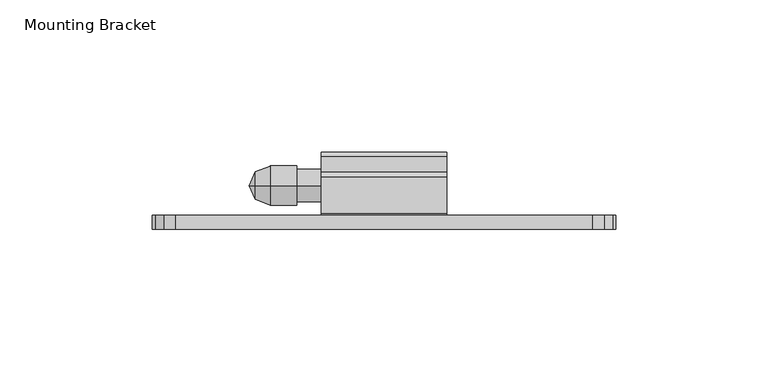
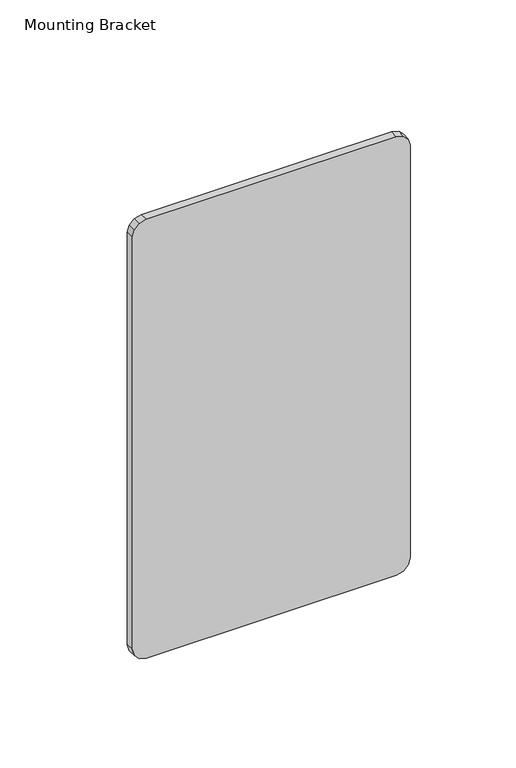
"""IFC4 building model written with IfcOpenShell, lengths in millimetres: furniture geometry, Mounting Bracket."""

from ifc_helpers import new_model, si_unit, frame, origin, place, context, project, spatial, polyline, circle_curve, outline, extrude, source, transform, mapped, element, save
from ifc_brep_helpers import plane_surface, cylinder_surface, revolved_surface, advanced_brep


def mounting_bracket_f358e897(model_context):
    return source(origin(), model_context, "Body", "SolidModel", [
        extrude(outline(polyline([(1473.2, 636.9192799), (1473.2, 499.7592835), (1472.1791116, 495.9492826), (1469.3899991, 493.1601678), (1465.5799982, 492.1392863), (1226.8200033, 492.1392863), (1223.010007, 493.1601678), (1220.2208785, 495.9492826), (1219.1999924, 499.7592835), (1219.1999924, 636.9192799), (1220.2208785, 640.7292808), (1223.010007, 643.5183956), (1226.8200033, 644.5392817), (1465.5799982, 644.5392817), (1469.3899991, 643.5183956), (1472.1791116, 640.7292808), (1473.2, 636.9192799)])), frame((0.0, -1267.5959292, 0.0), z_axis=(0.0, 1.0, 0.0), x_axis=(0.0, 0.0, 1.0)), (0.0, 0.0, 1.0), 4.5973995),
        advanced_brep(
        [(526.0628515, -1253.1852, 1399.0219446), (526.0628515, -1253.1852, 1408.1758962), (530.8753712, -1253.1852, 1410.0717425), (530.8753712, -1253.1852, 1397.1260983), (539.6258568, -1253.1852, 1410.0717425), (539.6258568, -1253.1852, 1397.1260983), (539.6258568, -1253.1852, 1408.9617358), (539.6258568, -1253.1852, 1398.2361051), (547.6881167, -1253.1852, 1408.9617358), (547.6881167, -1253.1852, 1398.2361051), (547.6881167, -1253.1852, 1403.5989204), (524.0694412, -1253.1852, 1403.5989204)],
        [
            (0, 1, circle_curve(frame((526.0628515, -1253.1852, 1403.5989204), z_axis=(1.0, 0.0, 0.0), x_axis=(0.0, 0.0, 1.0)), 4.5769758)),
            (1, 2),
            (2, 3, circle_curve(frame((530.8753712, -1253.1852, 1403.5989204), z_axis=(-1.0, 0.0, 0.0), x_axis=(0.0, 0.0, 1.0)), 6.4728221)),
            (3, 0),
            (1, 0, circle_curve(frame((526.0628515, -1253.1852, 1403.5989204), z_axis=(1.0, 0.0, 0.0), x_axis=(0.0, 0.0, 1.0)), 4.5769758)),
            (3, 2, circle_curve(frame((530.8753712, -1253.1852, 1403.5989204), z_axis=(-1.0, 0.0, 0.0), x_axis=(0.0, 0.0, 1.0)), 6.4728221)),
            (2, 4),
            (4, 5, circle_curve(frame((539.6258568, -1253.1852, 1403.5989204), z_axis=(-1.0, 0.0, 0.0), x_axis=(0.0, 0.0, 1.0)), 6.4728221)),
            (5, 3),
            (5, 4, circle_curve(frame((539.6258568, -1253.1852, 1403.5989204), z_axis=(-1.0, 0.0, 0.0), x_axis=(0.0, 0.0, 1.0)), 6.4728221)),
            (4, 6),
            (6, 7, circle_curve(frame((539.6258568, -1253.1852, 1403.5989204), z_axis=(-1.0, 0.0, 0.0), x_axis=(0.0, 0.0, 1.0)), 5.3628154)),
            (7, 5),
            (7, 6, circle_curve(frame((539.6258568, -1253.1852, 1403.5989204), z_axis=(-1.0, 0.0, 0.0), x_axis=(0.0, 0.0, 1.0)), 5.3628154)),
            (6, 8),
            (8, 9, circle_curve(frame((547.6881167, -1253.1852, 1403.5989204), z_axis=(-1.0, 0.0, 0.0), x_axis=(0.0, 0.0, 1.0)), 5.3628154)),
            (9, 7),
            (9, 8, circle_curve(frame((547.6881167, -1253.1852, 1403.5989204), z_axis=(-1.0, 0.0, 0.0), x_axis=(0.0, 0.0, 1.0)), 5.3628154)),
            (8, 10),
            (10, 9),
            (11, 1),
            (0, 11),
        ],
        [
            revolved_surface(polyline([(530.8753712, -1253.1852, 1410.0717425), (526.0628515, -1253.1852, 1408.1758962)]), (524.0694412, -1253.1852, 1403.5989204), (-1.0, 0.0, 0.0)),
            cylinder_surface(frame((524.0694412, -1253.1852, 1403.5989204), z_axis=(-1.0, 0.0, 0.0), x_axis=(0.0, 0.0, 1.0)), 6.4728221),
            plane_surface(frame((539.6258568, -1253.1852, 1403.5989204), z_axis=(1.0, 0.0, 0.0), x_axis=(0.0, 0.0, 1.0))),
            cylinder_surface(frame((524.0694412, -1253.1852, 1403.5989204), z_axis=(-1.0, 0.0, 0.0), x_axis=(0.0, 0.0, 1.0)), 5.3628154),
            plane_surface(frame((547.6881167, -1253.1852, 1403.5989204), z_axis=(1.0, 0.0, 0.0), x_axis=(0.0, 0.0, 1.0))),
            revolved_surface(polyline([(526.0628515, -1253.1852, 1408.1758962), (524.0694412, -1253.1852, 1403.5989204)]), (524.0694412, -1253.1852, 1403.5989204), (-1.0, 0.0, 0.0)),
        ],
        [
            (0, [[1, 2, 3, 4]]),
            (0, [[5, -4, 6, -2]]),
            (1, [[-3, 7, 8, 9]]),
            (1, [[-6, -9, 10, -7]]),
            (2, [[-8, 11, 12, 13]]),
            (2, [[-10, -13, 14, -11]]),
            (3, [[-12, 15, 16, 17]]),
            (3, [[-14, -17, 18, -15]]),
            (4, [[-16, 19, 20]]),
            (4, [[-18, -20, -19]]),
            (5, [[21, -1, 22]]),
            (5, [[-22, -5, -21]]),
        ],
    ),
        extrude(outline(polyline([(-1250.3046945, 1454.1753993), (-1248.7298945, 1452.6005988), (-1248.7298945, 1447.850799), (-1249.5126046, 1445.4864416), (-1251.5515106, 1444.0561678), (-1254.041105, 1444.125034), (-1255.997826, 1445.6658334), (-1257.4420942, 1445.2316415), (-1257.4420942, 1415.4972312), (-1256.8467817, 1414.9019187), (-1243.7705444, 1414.9019187), (-1242.1957445, 1413.3271193), (-1242.1957445, 1393.9011975), (-1243.7705444, 1392.3263981), (-1261.4235441, 1392.3263981), (-1262.9985297, 1393.9013837), (-1262.9985297, 1453.5765416), (-1262.399672, 1454.1753993), (-1250.3046945, 1454.1753993)])), frame((547.6881145, 0.0, 0.0), z_axis=(1.0, 0.0, 0.0), x_axis=(0.0, 1.0, 0.0)), (0.0, 0.0, 1.0), 41.2750015),
    ])


if __name__ == "__main__":
    model = new_model("IFC4")
    model_context = context("Model", 3, world=origin())
    ifc_project = project(units=[si_unit("LENGTHUNIT", "METRE", prefix="MILLI")], contexts=[model_context])
    site = spatial("IfcSite", under=ifc_project)
    building = spatial("IfcBuilding", under=site)
    placement = place(None, origin())
    mounting_bracket_shape = mounting_bracket_f358e897(model_context)
    element("IfcFurniture", 1, ObjectType="Mounting Bracket", at=placement, inside=building, context=model_context, shape_type="MappedRepresentation", body=[
        mapped(mounting_bracket_shape, transform((0.0, 0.0, 0.0), x_axis=(1.0, 0.0, 0.0), y_axis=(0.0, 1.0, 0.0), z_axis=(0.0, 0.0, 1.0))),
    ])
    save(model, "model.ifc")
